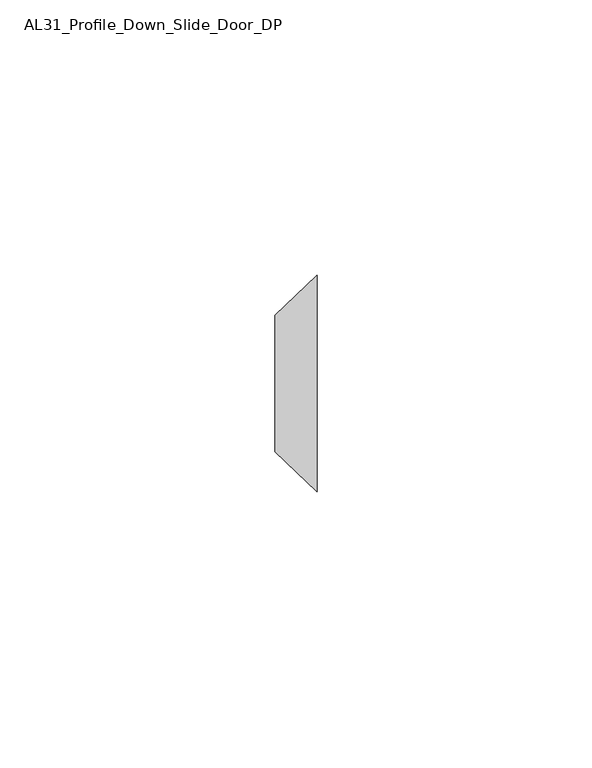
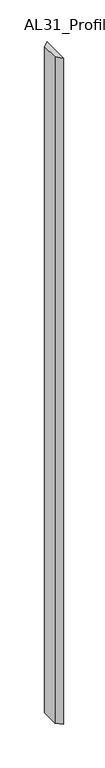
"""IFC4 building model written with IfcOpenShell, lengths in millimetres: member geometry, AL31_Profile_Down_Slide_Door_DP."""

from ifc_helpers import new_model, si_unit, frame, origin, place, context, project, spatial, polyline, outline, extrude, source, transform, mapped, element, save


def al31_profile_down_slide_door_dp_b391fc22(model_context):
    return source(origin(), model_context, "Body", "SweptSolid", [
        extrude(outline(polyline([(-7.6107048, -13.0548232), (0.0, -5.7722941), (0.0, -45.1097059), (-7.6107048, -37.8271768), (-7.6107048, -13.0548232)])), frame((0.0, 0.0, -974.2594583), z_axis=(0.0, 0.0, 1.0), x_axis=(1.0, 0.0, 0.0)), (0.0, 0.0, 1.0), 974.2594583),
    ])


if __name__ == "__main__":
    model = new_model("IFC4")
    model_context = context("Model", 3, world=origin())
    ifc_project = project(units=[si_unit("LENGTHUNIT", "METRE", prefix="MILLI")], contexts=[model_context])
    site = spatial("IfcSite", under=ifc_project)
    building = spatial("IfcBuilding", under=site)
    placement = place(None, origin())
    al31_profile_down_slide_door_dp_shape = al31_profile_down_slide_door_dp_b391fc22(model_context)
    element("IfcMember", 1, ObjectType="AL31_Profile_Down_Slide_Door_DP", at=placement, inside=building, context=model_context, shape_type="MappedRepresentation", body=[
        mapped(al31_profile_down_slide_door_dp_shape, transform((0.0, 0.0, 0.0), x_axis=(1.0, 0.0, 0.0), y_axis=(0.0, 1.0, 0.0), z_axis=(0.0, 0.0, 1.0))),
    ])
    save(model, "model.ifc")
